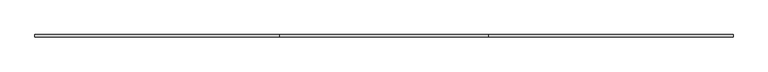
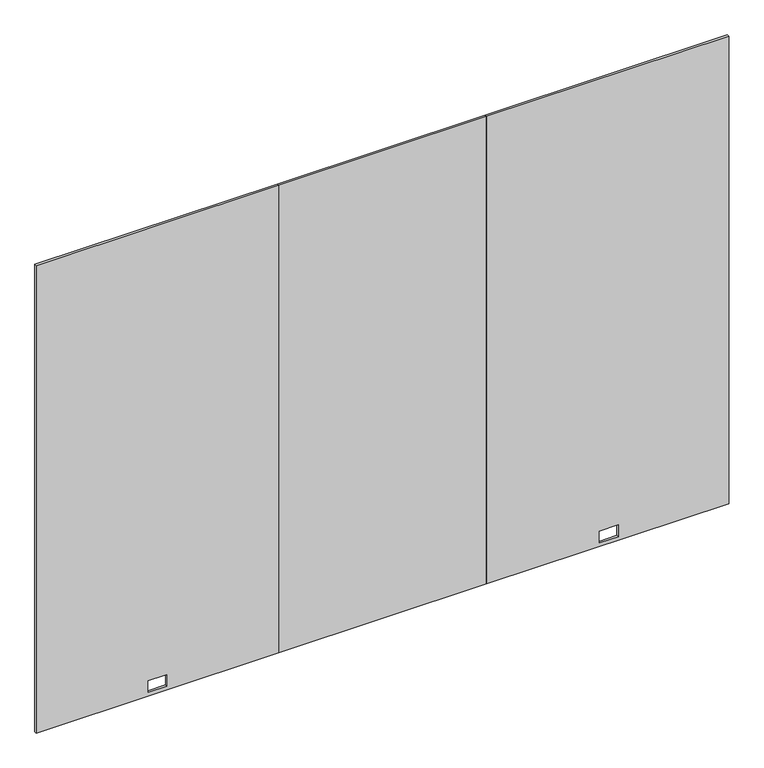
"""IFC4 building model written with IfcOpenShell, lengths in millimetres: furniture geometry."""

from ifc_helpers import new_model, si_unit, frame, origin, place, context, project, spatial, polyline, outline, extrude, source, transform, mapped, element, save


def furniture_6075c9b2(model_context):
    return source(origin(), model_context, "Body", "SweptSolid", [
        extrude(outline(polyline([(12.7, 0.0), (12.7, 1066.8), (2186.3010468, 1066.8), (2186.3010468, 0.0), (12.7, 0.0)]), holes=[polyline([(29.6164, 492.2774), (83.9724, 492.2774), (83.9724, 574.5226), (29.6164, 574.5226), (29.6164, 492.2774)])]), frame((0.0, -4.7752, 0.0), z_axis=(0.0, 1.0, 0.0), x_axis=(0.0, 0.0, 1.0)), (0.0, 0.0, 1.0), 9.525),
        extrude(outline(polyline([(12.7, 1981.2), (12.7, 3048.0), (2186.3010468, 3048.0), (2186.3010468, 1981.2), (12.7, 1981.2)]), holes=[polyline([(83.9724, 2479.7631299), (83.9724, 2562.0083299), (29.6164, 2562.0083299), (29.6164, 2479.7631299), (83.9724, 2479.7631299)])]), frame((0.0, -4.7752, 0.0), z_axis=(0.0, 1.0, 0.0), x_axis=(0.0, 0.0, 1.0)), (0.0, 0.0, 1.0), 9.525),
        extrude(outline(polyline([(1981.2, -4.7752), (1066.8, -4.7752), (1066.8, 4.7498), (1981.2, 4.7498), (1981.2, -4.7752)])), frame((0.0, 0.0, 12.7), z_axis=(0.0, 0.0, 1.0), x_axis=(1.0, 0.0, 0.0)), (0.0, 0.0, 1.0), 2173.6010468),
    ])


if __name__ == "__main__":
    model = new_model("IFC4")
    model_context = context("Model", 3, world=origin())
    ifc_project = project(units=[si_unit("LENGTHUNIT", "METRE", prefix="MILLI")], contexts=[model_context])
    site = spatial("IfcSite", under=ifc_project)
    building = spatial("IfcBuilding", under=site)
    placement = place(None, origin())
    furniture_shape = furniture_6075c9b2(model_context)
    element("IfcFurniture", 1, at=placement, inside=building, context=model_context, shape_type="MappedRepresentation", body=[
        mapped(furniture_shape, transform((0.0, 0.0, 0.0), x_axis=(1.0, 0.0, 0.0), y_axis=(0.0, 1.0, 0.0), z_axis=(0.0, 0.0, 1.0))),
    ])
    save(model, "model.ifc")
